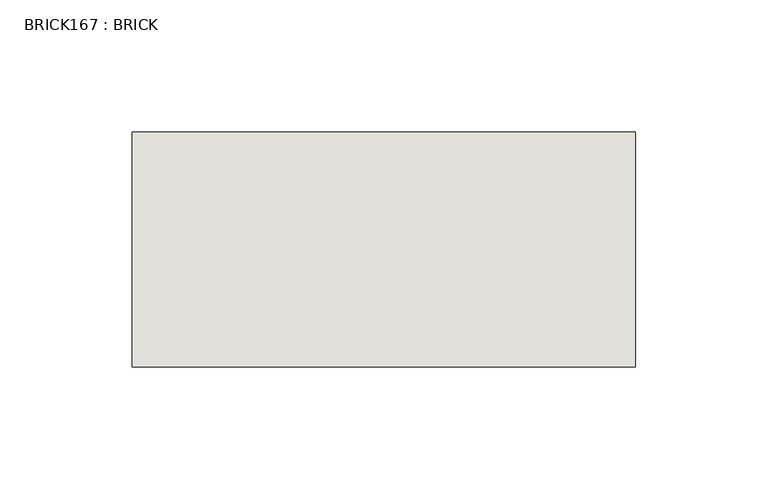
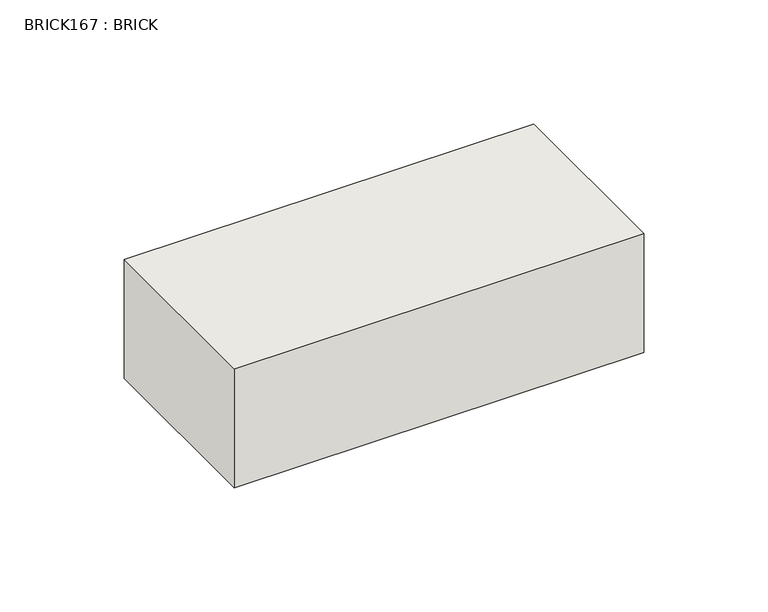
"""IFC4 building model written with IfcOpenShell, lengths in millimetres: wall geometry, BRICK167 : BRICK."""

from ifc_helpers import new_model, si_unit, frame, origin, place, context, project, spatial, polyline, outline, extrude, source, transform, mapped, element, save


def brick167_brick_d99f0d90(model_context):
    return source(origin(), model_context, "Body", "SweptSolid", [
        extrude(outline(polyline([(-58.6574357, 3062.3923312), (131.8425643, 3062.3923312), (131.8425643, 2973.4923312), (-58.6574357, 2973.4923312), (-58.6574357, 3062.3923312)])), frame((0.0, 0.0, 4.1671875), z_axis=(0.0, 0.0, 1.0), x_axis=(1.0, 0.0, 0.0)), (0.0, 0.0, 1.0), 58.4398437),
    ])


if __name__ == "__main__":
    model = new_model("IFC4")
    model_context = context("Model", 3, world=origin())
    ifc_project = project(units=[si_unit("LENGTHUNIT", "METRE", prefix="MILLI")], contexts=[model_context])
    site = spatial("IfcSite", under=ifc_project)
    building = spatial("IfcBuilding", under=site)
    placement = place(None, origin())
    brick167_brick_shape = brick167_brick_d99f0d90(model_context)
    element("IfcWall", 1, ObjectType="BRICK167 : BRICK", at=placement, inside=building, context=model_context, shape_type="MappedRepresentation", body=[
        mapped(brick167_brick_shape, transform((0.0, 0.0, 0.0), x_axis=(1.0, 0.0, 0.0), y_axis=(0.0, 1.0, 0.0), z_axis=(0.0, 0.0, 1.0))),
    ])
    save(model, "model.ifc")
